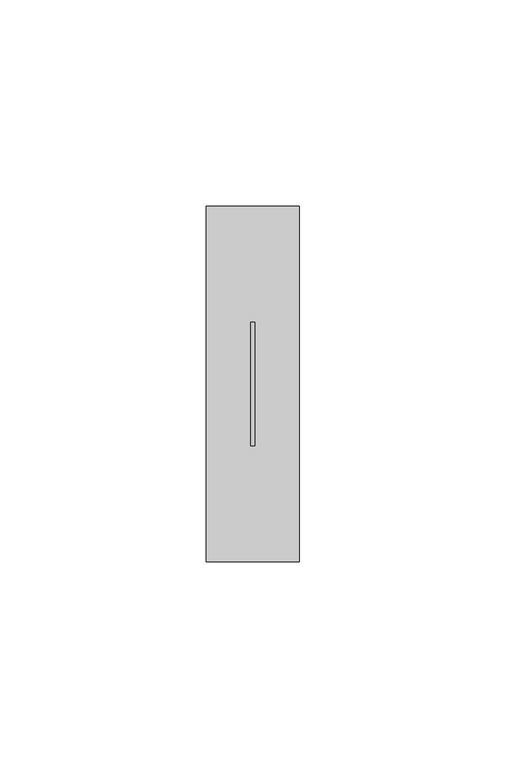
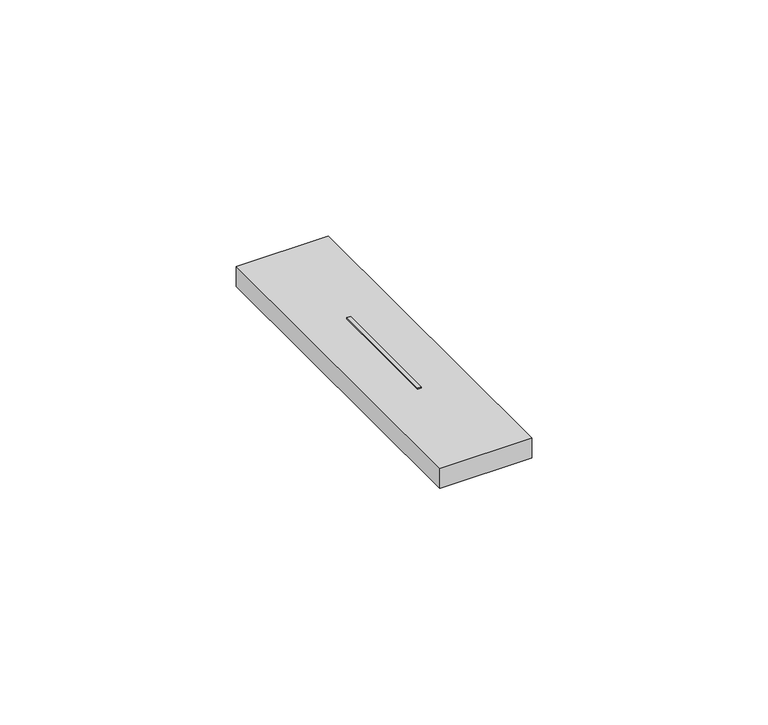
"""IFC4 building model written with IfcOpenShell, lengths in millimetres: proxy geometry."""

from ifc_helpers import new_model, si_unit, frame, origin, place, context, project, spatial, polyline, outline, extrude, source, transform, mapped, element, save


def electrical_fixtures_04125d7d(model_context):
    return source(origin(), model_context, "Body", "SweptSolid", [
        extrude(outline(polyline([(10.75, 58.0), (11.75, 58.0), (11.75, 28.0), (10.75, 28.0), (10.75, 58.0)])), frame((0.0, 0.0, 5.5), z_axis=(0.0, 0.0, 1.0), x_axis=(1.0, 0.0, 0.0)), (0.0, 0.0, 1.0), 5.2),
        extrude(outline(polyline([(0.0, 0.0), (0.0, 86.0), (22.5, 86.0), (22.5, 0.0), (0.0, 0.0)]), holes=[polyline([(10.75, 58.0), (10.75, 28.0), (11.75, 28.0), (11.75, 58.0), (10.75, 58.0)])]), frame((0.0, 0.0, 5.5), z_axis=(0.0, 0.0, 1.0), x_axis=(1.0, 0.0, 0.0)), (0.0, 0.0, 1.0), 5.2),
    ])


if __name__ == "__main__":
    model = new_model("IFC4")
    model_context = context("Model", 3, world=origin())
    ifc_project = project(units=[si_unit("LENGTHUNIT", "METRE", prefix="MILLI")], contexts=[model_context])
    site = spatial("IfcSite", under=ifc_project)
    building = spatial("IfcBuilding", under=site)
    placement = place(None, origin())
    electrical_fixtures_shape = electrical_fixtures_04125d7d(model_context)
    element("IfcBuildingElementProxy", 1, Name="Electrical Fixtures", at=placement, inside=building, context=model_context, shape_type="MappedRepresentation", body=[
        mapped(electrical_fixtures_shape, transform((0.0, 0.0, 0.0), x_axis=(1.0, 0.0, 0.0), y_axis=(0.0, 1.0, 0.0), z_axis=(0.0, 0.0, 1.0))),
    ])
    save(model, "model.ifc")
